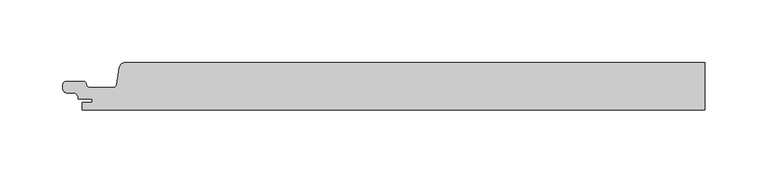
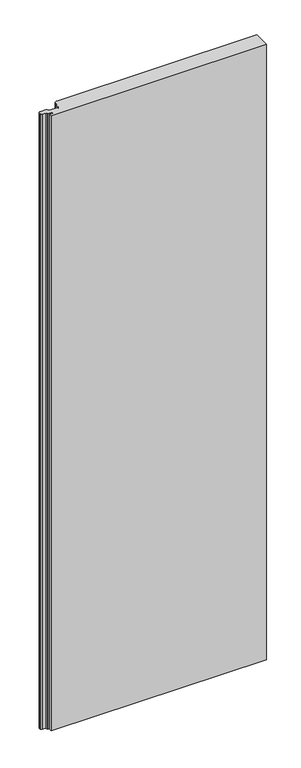
"""IFC4 building model written with IfcOpenShell, lengths in millimetres: proxy geometry."""

from ifc_helpers import new_model, si_unit, frame, origin, place, context, project, spatial, polyline, circle_curve, source, transform, mapped, element, save
from ifc_brep_helpers import plane_surface, cylinder_surface, revolved_surface, advanced_brep


def generic_models_bcc21366(model_context):
    return source(origin(), model_context, "Body", "AdvancedBrep", [
        advanced_brep(
        [(-462.1258654, 19.0, 1500.0), (-467.2618449, 14.6134595, 1500.0), (-469.4007538, 1.108914, 1500.0), (-471.869975, -1.0000008, 1500.0), (-490.8699744, -1.0000008, 1500.0), (-493.3542541, 1.4766379, 1500.0), (-495.8890733, 4.0, 1500.0), (-509.1201818, 4.0, 1500.0), (-512.3201819, 0.8, 1500.0), (-512.3201819, -1.9741325, 1500.0), (-509.3990803, -5.1619547, 1500.0), (-502.1022925, -5.8003409, 1500.0), (-500.0, -9.2119514, 1500.0), (-500.0, -10.0000004, 1500.0), (-488.8201818, -10.0000004, 1500.0), (-488.8201818, -13.0, 1500.0), (-496.8201817, -13.0, 1500.0), (-496.8201817, -19.0, 1500.0), (-3e-07, -19.0, 1500.0), (-3e-07, 19.0, 1500.0), (-496.8201817, -19.0, 0.0), (-496.8201817, -13.0, 0.0), (-488.8201818, -13.0, 0.0), (-488.8201818, -10.0000004, 0.0), (-500.0, -10.0000004, 0.0), (-500.0, -9.2119514, 0.0), (-502.1022925, -5.8003409, 0.0), (-509.3990803, -5.1619547, 0.0), (-512.3201819, -1.9741325, 0.0), (-512.3201819, 0.8, 0.0), (-509.1201818, 4.0, 0.0), (-495.8890733, 4.0, 0.0), (-493.4041499, 1.4803363, 0.0), (-490.8699744, -1.0000008, 0.0), (-471.869975, -1.0000008, 0.0), (-469.4007538, 1.108914, 0.0), (-467.2618449, 14.6134595, 0.0), (-462.1258654, 19.0, 0.0), (-3e-07, 19.0, 0.0), (-3e-07, -19.0, 0.0)],
        [
            (0, 1, circle_curve(frame((-462.186788, 13.871331, 1500.0), z_axis=(0.0, 0.0, 1.0), x_axis=(1.0, 0.0, 0.0)), 5.1290309)),
            (1, 2),
            (2, 3, circle_curve(frame((-471.8642031, 1.4932414, 1500.0), z_axis=(0.0, 0.0, -1.0), x_axis=(1.0, 0.0, 0.0)), 2.4932489)),
            (3, 4),
            (4, 5, circle_curve(frame((-491.0480249, 1.3056909, 1500.0), z_axis=(0.0, 0.0, -1.0), x_axis=(1.0, 0.0, 0.0)), 2.3125562)),
            (5, 6, circle_curve(frame((-495.7478996, 1.6540644, 1500.0), z_axis=(0.0, 0.0, 1.0), x_axis=(1.0, 0.0, 0.0)), 2.3501795)),
            (6, 7),
            (7, 8, circle_curve(frame((-509.1681836, 0.8480017, 1500.0), z_axis=(0.0, 0.0, 1.0), x_axis=(1.0, 0.0, 0.0)), 3.1523638)),
            (8, 9),
            (9, 10, circle_curve(frame((-509.0519935, -1.9116485, 1500.0), z_axis=(0.0, 0.0, 1.0), x_axis=(1.0, 0.0, 0.0)), 3.2687857)),
            (10, 11),
            (11, 12, circle_curve(frame((-503.8193353, -9.2119514, 1500.0), z_axis=(0.0, 0.0, -1.0), x_axis=(1.0, 0.0, 0.0)), 3.8193353)),
            (12, 13),
            (13, 14),
            (14, 15),
            (15, 16),
            (16, 17),
            (17, 18),
            (18, 19),
            (19, 0),
            (20, 21),
            (21, 22),
            (22, 23),
            (23, 24),
            (24, 25),
            (25, 26, circle_curve(frame((-503.8193353, -9.2119514, 0.0), z_axis=(0.0, 0.0, 1.0), x_axis=(1.0, 0.0, 0.0)), 3.8193353)),
            (26, 27),
            (27, 28, circle_curve(frame((-509.0519935, -1.9116485, 0.0), z_axis=(0.0, 0.0, -1.0), x_axis=(1.0, 0.0, 0.0)), 3.2687857)),
            (28, 29),
            (29, 30, circle_curve(frame((-509.1681836, 0.8480017, 0.0), z_axis=(0.0, 0.0, -1.0), x_axis=(1.0, 0.0, 0.0)), 3.1523638)),
            (30, 31),
            (31, 32, circle_curve(frame((-495.7478996, 1.6540644, 0.0), z_axis=(0.0, 0.0, -1.0), x_axis=(1.0, 0.0, 0.0)), 2.3501795)),
            (32, 33, circle_curve(frame((-491.0480249, 1.3056909, 0.0), z_axis=(0.0, 0.0, 1.0), x_axis=(1.0, 0.0, 0.0)), 2.3125562)),
            (33, 34),
            (34, 35, circle_curve(frame((-471.8642031, 1.4932414, 0.0), z_axis=(0.0, 0.0, 1.0), x_axis=(1.0, 0.0, 0.0)), 2.4932489)),
            (35, 36),
            (36, 37, circle_curve(frame((-462.186788, 13.871331, 0.0), z_axis=(0.0, 0.0, -1.0), x_axis=(1.0, 0.0, 0.0)), 5.1290309)),
            (37, 38),
            (38, 39),
            (39, 20),
            (18, 39),
            (38, 19),
            (37, 0),
            (36, 1),
            (35, 2),
            (34, 3),
            (33, 4),
            (32, 5),
            (31, 6),
            (30, 7),
            (29, 8),
            (28, 9),
            (27, 10),
            (26, 11),
            (25, 12),
            (24, 13),
            (23, 14),
            (22, 15),
            (21, 16),
            (20, 17),
        ],
        [
            plane_surface(frame((489.3222054, 1.8038036, 1500.0), z_axis=(0.0, 0.0, 1.0), x_axis=(0.0, -1.0, 0.0))),
            plane_surface(frame((489.3222054, 1.8038036, 0.0), z_axis=(0.0, 0.0, -1.0), x_axis=(0.0, 1.0, 0.0))),
            plane_surface(frame((-3e-07, 19.0, 1500.0), z_axis=(1.0, 0.0, 0.0), x_axis=(0.0, 0.0, -1.0))),
            plane_surface(frame((523.545754, 19.0, 1500.0), z_axis=(0.0, 1.0, 0.0), x_axis=(0.0, 0.0, -1.0))),
            cylinder_surface(frame((-462.186788, 13.871331, 0.0), z_axis=(0.0, 0.0, 1.0), x_axis=(1.0, 0.0, 0.0)), 5.1290309),
            plane_surface(frame((-467.2618449, 14.6134595, 1500.0), z_axis=(-0.9876883510848851, 0.15643439881055846, 0.0), x_axis=(0.0, 0.0, -1.0))),
            revolved_surface(polyline([(-469.37095419999997, 1.4932414, 0.0), (-469.37095419999997, 1.4932414, 1500.0)]), (-471.8642031, 1.4932414, 0.0), (0.0, 0.0, -1.0)),
            plane_surface(frame((-471.869975, -1.0000008, 1500.0), z_axis=(0.0, 1.0, 0.0), x_axis=(0.0, 0.0, -1.0))),
            revolved_surface(polyline([(-488.73546869999996, 1.3056909, 0.0), (-488.73546869999996, 1.3056909, 1500.0)]), (-491.0480249, 1.3056909, 0.0), (0.0, 0.0, -1.0)),
            cylinder_surface(frame((-495.7478996, 1.6540644, 0.0), z_axis=(0.0, 0.0, 1.0), x_axis=(1.0, 0.0, 0.0)), 2.3501795),
            plane_surface(frame((-495.8890733, 4.0, 1500.0), z_axis=(0.0, 1.0, 0.0), x_axis=(0.0, 0.0, -1.0))),
            cylinder_surface(frame((-509.1681836, 0.8480017, 0.0), z_axis=(0.0, 0.0, 1.0), x_axis=(1.0, 0.0, 0.0)), 3.1523638),
            plane_surface(frame((-512.3201819, 0.8, 1500.0), z_axis=(-1.0, 0.0, 0.0), x_axis=(0.0, 0.0, -1.0))),
            cylinder_surface(frame((-509.0519935, -1.9116485, 0.0), z_axis=(0.0, 0.0, 1.0), x_axis=(1.0, 0.0, 0.0)), 3.2687857),
            plane_surface(frame((-509.3990803, -5.1619547, 1500.0), z_axis=(-0.08715574563482881, -0.9961946978391508, 0.0), x_axis=(0.0, 0.0, -1.0))),
            revolved_surface(polyline([(-500.0, -9.2119514, 0.0), (-500.0, -9.2119514, 1500.0)]), (-503.8193353, -9.2119514, 0.0), (0.0, 0.0, -1.0)),
            plane_surface(frame((-500.0, -9.2119514, 1500.0), z_axis=(-1.0, 0.0, 0.0), x_axis=(0.0, 0.0, -1.0))),
            plane_surface(frame((-500.0, -10.0000004, 1500.0), z_axis=(0.0, -1.0, 0.0), x_axis=(0.0, 0.0, -1.0))),
            plane_surface(frame((-488.8201818, -10.0000004, 1500.0), z_axis=(-1.0, 0.0, 0.0), x_axis=(0.0, 0.0, -1.0))),
            plane_surface(frame((-488.8201818, -13.0, 1500.0), z_axis=(0.0, 1.0, 0.0), x_axis=(0.0, 0.0, -1.0))),
            plane_surface(frame((-496.8201817, -13.0, 1500.0), z_axis=(-1.0, 0.0, 0.0), x_axis=(0.0, 0.0, -1.0))),
            plane_surface(frame((-496.8201817, -19.0, 1500.0), z_axis=(0.0, -1.0, 0.0), x_axis=(0.0, 0.0, -1.0))),
        ],
        [
            (0, [[1, 2, 3, 4, 5, 6, 7, 8, 9, 10, 11, 12, 13, 14, 15, 16, 17, 18, 19, 20]]),
            (1, [[21, 22, 23, 24, 25, 26, 27, 28, 29, 30, 31, 32, 33, 34, 35, 36, 37, 38, 39, 40]]),
            (2, [[-19, 41, -39, 42]]),
            (3, [[43, -20, -42, -38]]),
            (4, [[-1, -43, -37, 44]]),
            (5, [[-2, -44, -36, 45]]),
            (6, [[-3, -45, -35, 46]]),
            (7, [[-4, -46, -34, 47]]),
            (8, [[-5, -47, -33, 48]]),
            (9, [[-6, -48, -32, 49]]),
            (10, [[-7, -49, -31, 50]]),
            (11, [[-8, -50, -30, 51]]),
            (12, [[-9, -51, -29, 52]]),
            (13, [[-10, -52, -28, 53]]),
            (14, [[-11, -53, -27, 54]]),
            (15, [[-12, -54, -26, 55]]),
            (16, [[-13, -55, -25, 56]]),
            (17, [[-14, -56, -24, 57]]),
            (18, [[-15, -57, -23, 58]]),
            (19, [[-16, -58, -22, 59]]),
            (20, [[-17, -59, -21, 60]]),
            (21, [[-60, -40, -41, -18]]),
        ],
    ),
    ])


if __name__ == "__main__":
    model = new_model("IFC4")
    model_context = context("Model", 3, world=origin())
    ifc_project = project(units=[si_unit("LENGTHUNIT", "METRE", prefix="MILLI")], contexts=[model_context])
    site = spatial("IfcSite", under=ifc_project)
    building = spatial("IfcBuilding", under=site)
    placement = place(None, origin())
    generic_models_shape = generic_models_bcc21366(model_context)
    element("IfcBuildingElementProxy", 1, Name="Generic Models", at=placement, inside=building, context=model_context, shape_type="MappedRepresentation", body=[
        mapped(generic_models_shape, transform((0.0, 0.0, 0.0), x_axis=(1.0, 0.0, 0.0), y_axis=(0.0, 1.0, 0.0), z_axis=(0.0, 0.0, 1.0))),
    ])
    save(model, "model.ifc")
